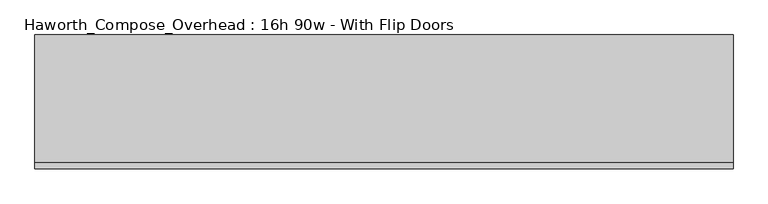
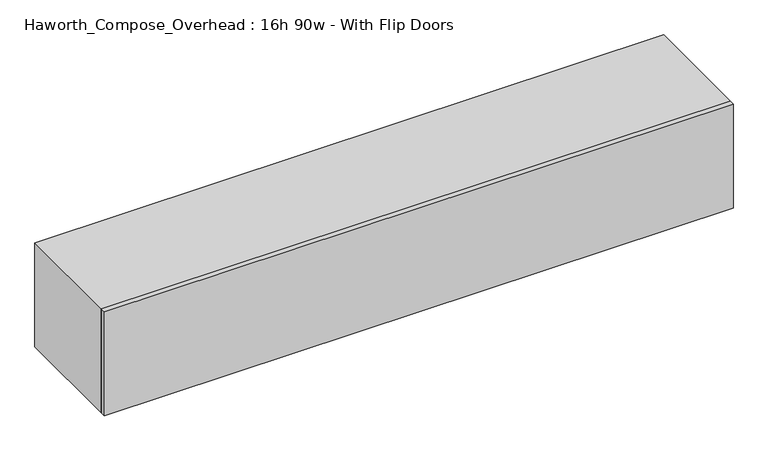
"""IFC4 building model written with IfcOpenShell, lengths in millimetres: furniture geometry, Haworth_Compose_Overhead : 16h 90w - With Flip Doors."""

from ifc_helpers import new_model, si_unit, frame, origin, place, context, project, spatial, polyline, outline, extrude, source, transform, mapped, element, save


def haworth_compose_overhead_16h_90w_with_flip_doors_b56ee8cc(model_context):
    return source(origin(), model_context, "Body", "SweptSolid", [
        extrude(outline(polyline([(1308.1, -438.15), (-977.9, -438.15), (-977.9, -419.1), (1308.1, -419.1), (1308.1, -438.15)])), frame((0.0, 0.0, 1270.0), z_axis=(0.0, 0.0, 1.0), x_axis=(1.0, 0.0, 0.0)), (0.0, 0.0, 1.0), 400.05),
        extrude(outline(polyline([(1282.7, -6.35), (-952.5, -6.35), (-952.5, 0.0), (1282.7, 0.0), (1282.7, -6.35)])), frame((0.0, 0.0, 1295.4), z_axis=(0.0, 0.0, 1.0), x_axis=(1.0, 0.0, 0.0)), (0.0, 0.0, 1.0), 349.25),
        extrude(outline(polyline([(1270.0, 1308.1), (1670.05, 1308.1), (1670.05, -977.9), (1270.0, -977.9), (1270.0, 1308.1)]), holes=[polyline([(1644.65, 1282.7), (1295.4, 1282.7), (1295.4, -952.5), (1644.65, -952.5), (1644.65, 1282.7)])]), frame((0.0, -419.1, 0.0), z_axis=(0.0, 1.0, 0.0), x_axis=(0.0, 0.0, 1.0)), (0.0, 0.0, 1.0), 419.1),
    ])


if __name__ == "__main__":
    model = new_model("IFC4")
    model_context = context("Model", 3, world=origin())
    ifc_project = project(units=[si_unit("LENGTHUNIT", "METRE", prefix="MILLI")], contexts=[model_context])
    site = spatial("IfcSite", under=ifc_project)
    building = spatial("IfcBuilding", under=site)
    placement = place(None, origin())
    haworth_compose_overhead_16h_90w_with_flip_doors_shape = haworth_compose_overhead_16h_90w_with_flip_doors_b56ee8cc(model_context)
    element("IfcFurniture", 1, ObjectType="Haworth_Compose_Overhead : 16h 90w - With Flip Doors", at=placement, inside=building, context=model_context, shape_type="MappedRepresentation", body=[
        mapped(haworth_compose_overhead_16h_90w_with_flip_doors_shape, transform((0.0, 0.0, 0.0), x_axis=(1.0, 0.0, 0.0), y_axis=(0.0, 1.0, 0.0), z_axis=(0.0, 0.0, 1.0))),
    ])
    save(model, "model.ifc")
